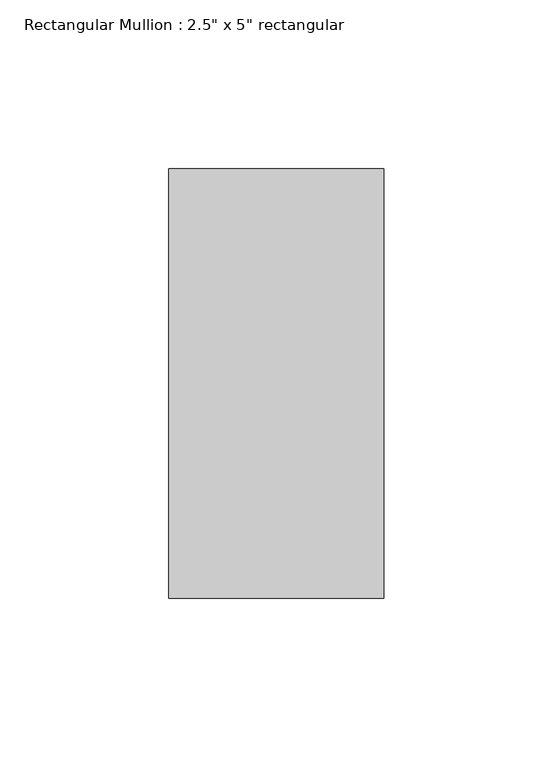
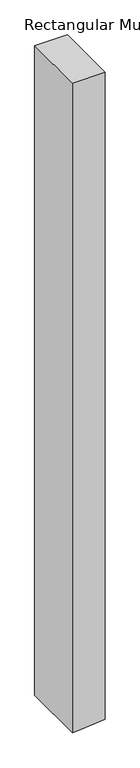
"""IFC4 building model written with IfcOpenShell, lengths in millimetres: member geometry."""

from ifc_helpers import new_model, si_unit, frame, origin, place, context, project, spatial, polyline, outline, extrude, source, transform, mapped, element, save


def member_18ffa7f8(model_context):
    return source(origin(), model_context, "Body", "SweptSolid", [
        extrude(outline(polyline([(0.0, 31.75), (0.0, -31.75), (-1338.1594978, -31.75), (-1336.0460496, -5.001701), (-1333.1422084, 31.75), (0.0, 31.75)])), frame((0.0, -63.5, 0.0), z_axis=(0.0, 1.0, 0.0), x_axis=(0.0, 0.0, 1.0)), (0.0, 0.0, 1.0), 127.0),
    ])


if __name__ == "__main__":
    model = new_model("IFC4")
    model_context = context("Model", 3, world=origin())
    ifc_project = project(units=[si_unit("LENGTHUNIT", "METRE", prefix="MILLI")], contexts=[model_context])
    site = spatial("IfcSite", under=ifc_project)
    building = spatial("IfcBuilding", under=site)
    placement = place(None, origin())
    member_shape = member_18ffa7f8(model_context)
    element("IfcMember", 1, ObjectType="Rectangular Mullion : 2.5\" x 5\" rectangular", at=placement, inside=building, context=model_context, shape_type="MappedRepresentation", body=[
        mapped(member_shape, transform((0.0, 0.0, 0.0), x_axis=(1.0, 0.0, 0.0), y_axis=(0.0, 1.0, 0.0), z_axis=(0.0, 0.0, 1.0))),
    ])
    save(model, "model.ifc")
